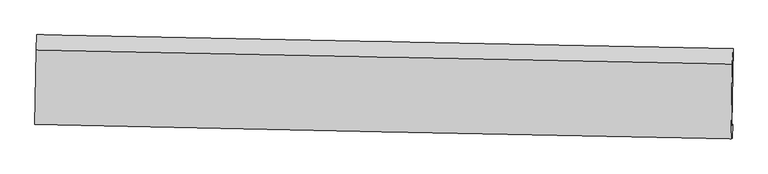
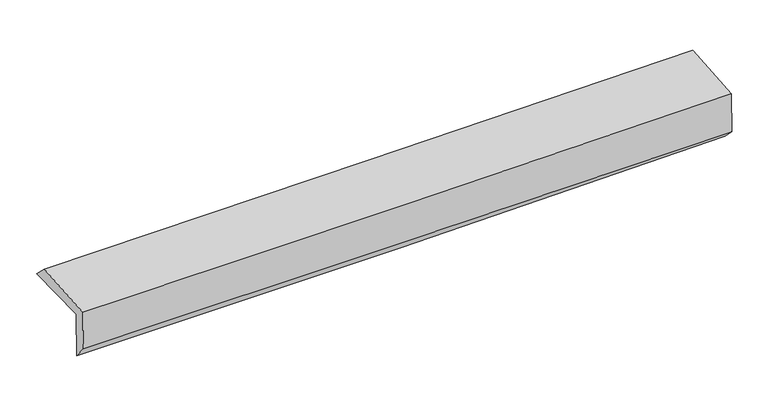
"""IFC4 building model written with IfcOpenShell, lengths in millimetres: proxy geometry."""

from ifc_helpers import new_model, si_unit, frame, origin, place, context, project, spatial, source, transform, mapped, element, save
from ifc_brep_helpers import plane_surface, spline_curve, spline_surface, advanced_brep


def generic_models_c6b965a5(model_context):
    return source(origin(), model_context, "Body", "AdvancedBrep", [
        advanced_brep(
        [(-3027.8253483, -1755.9263714, 1983.5180012), (-3015.8683588, -1088.9385004, 1977.8704542), (3016.4268598, -1206.8658706, 2113.3758273), (3003.650282, -1875.1494876, 2119.0181845), (-3019.092855, -1746.3714233, 1565.1983035), (3012.2262865, -1865.765767, 1708.1948987), (-3024.0886585, -1864.4706185, 1706.8287647), (3007.4284976, -1987.9464268, 1829.6563756), (-3031.6909609, -1868.6711237, 2074.5794226), (2999.5741305, -1992.2891585, 2209.8506371), (-3020.9045028, -1222.8044872, 2107.7969703), (3011.2174896, -1341.6042251, 2243.3326048)],
        [
            (0, 1),
            (1, 2, spline_curve(3, [(-3015.8683588, -1088.9385004, 1977.8704542), (-2010.120972869, -1107.779300916, 1981.230579451), (-1004.581268775, -1127.026467394, 1994.201705481), (1006.183846066, -1166.335509231, 2039.368230964), (2011.409214558, -1186.397465731, 2071.56556211), (3016.4268598, -1206.8658706, 2113.3758273)], [4, 2, 4], [0.0, 9.8991869748909, 19.799369143236515])),
            (2, 3),
            (3, 0, spline_curve(3, [(3003.650282, -1875.1494876, 2119.0181845), (1998.792335607, -1854.242810247, 2077.207287348), (993.715118562, -1833.853738725, 2045.010072488), (-1016.776802603, -1794.112804009, 1999.84527747), (-2022.191461827, -1774.760837096, 1986.875764505), (-3027.8253483, -1755.9263714, 1983.5180012)], [4, 2, 4], [0.0, 9.900182168345614, 19.799369143236515])),
            (4, 0),
            (3, 5),
            (5, 4, spline_curve(3, [(3012.2262865, -1865.765767, 1708.1948987), (2007.272700746, -1844.96373703, 1670.965498085), (1002.16070818, -1824.61271564, 1640.434152674), (-1008.279037644, -1784.814691964, 1592.769967313), (-2013.606758782, -1765.367598415, 1575.635781375), (-3019.092855, -1746.3714233, 1565.1983035)], [4, 2, 4], [0.0, 9.89941932716141, 19.797843537550996])),
            (6, 4),
            (5, 7),
            (7, 6, spline_curve(3, [(3007.4284976, -1987.9464268, 1829.6563756), (2002.209593082, -1968.282274209, 1805.722596669), (996.948445285, -1948.160007083, 1783.519645568), (-1013.557282032, -1907.001312114, 1742.577456346), (-2018.801852772, -1885.964976724, 1723.837870717), (-3024.0886585, -1864.4706185, 1706.8287647)], [4, 2, 4], [0.0, 9.899049469605897, 19.797103859619064])),
            (8, 6),
            (7, 9),
            (9, 8, spline_curve(3, [(2999.5741305, -1992.2891585, 2209.8506371), (1994.380280846, -1972.610588065, 2184.656235708), (989.152667122, -1952.469258991, 2160.785933909), (-1021.269036692, -1911.263154588, 2115.695795098), (-2026.463120126, -1890.198471923, 2094.475692146), (-3031.6909609, -1868.6711237, 2074.5794226)], [4, 2, 4], [0.0, 9.898863673062387, 19.79673228520882])),
            (10, 8),
            (9, 11),
            (11, 10, spline_curve(3, [(3011.2174896, -1341.6042251, 2243.3326048), (2005.8899915, -1321.086130897, 2218.178219791), (1000.524141414, -1300.926625873, 2194.305887652), (-1010.183196827, -1261.326785169, 2149.127600584), (-2015.52467763, -1241.886377393, 2127.821387801), (-3020.9045028, -1222.8044872, 2107.7969703)], [4, 2, 4], [0.0, 9.899506114222758, 19.798017102949615])),
            (1, 10),
            (11, 2),
        ],
        [
            spline_surface(3, 3, [[(-3027.8253483, -1755.9263714, 1983.5180012), (-2022.191461971, -1774.760836958, 1986.875764542), (-1016.776802445, -1794.112804028, 1999.845277448), (993.715118404, -1833.853738707, 2045.010072511), (1998.792335643, -1854.242810365, 2077.207287399), (3003.650282, -1875.1494876, 2119.0181845)], [(-3023.839685122, -1533.597081082, 1981.635485505), (-2018.167965632, -1552.433658241, 1984.99403611), (-1012.711624522, -1571.750691836, 1997.964086817), (997.871360918, -1611.347662178, 2043.129458588), (2002.997961938, -1631.627695524, 2075.326712333), (3007.909141274, -1652.388281923, 2117.137398778)], [(-3019.854021978, -1311.267790718, 1979.752969895), (-2014.144469326, -1330.106479477, 1983.112307763), (-1008.646446589, -1349.388579671, 1996.08289626), (1002.027603443, -1388.841585675, 2041.248844739), (2007.203588212, -1409.012580715, 2073.446137232), (3012.168000526, -1429.627076277, 2115.256613022)], [(-3015.8683588, -1088.9385004, 1977.8704542), (-2010.120972988, -1107.779300761, 1981.230579331), (-1004.581268666, -1127.02646748, 1994.20170563), (1006.183845957, -1166.335509146, 2039.368230816), (2011.409214508, -1186.397465874, 2071.565562166), (3016.4268598, -1206.8658706, 2113.3758273)]], [4, 4], [4, 2, 4], [0.0, 2.189764109614659], [0.0, 9.8991869748909, 19.799369143236515]),
            spline_surface(3, 3, [[(-3019.092855, -1746.3714233, 1565.1983035), (-2013.606758887, -1765.36759844, 1575.635781221), (-1008.279037564, -1784.814691855, 1592.769967396), (1002.1607081, -1824.612715749, 1640.434152592), (2007.272700639, -1844.963736908, 1670.965498133), (3012.2262865, -1865.765767, 1708.1948987)], [(-3022.003686118, -1749.556405998, 1704.638202761), (-2016.468326599, -1768.498677944, 1712.715775689), (-1011.11162586, -1787.914062567, 1728.461737426), (999.345511533, -1827.693056723, 1775.292792577), (2004.445912305, -1848.056761399, 1806.379427893), (3009.367618332, -1868.893673872, 1845.135993972)], [(-3024.914517182, -1752.741388702, 1844.078101939), (-2019.329894258, -1771.629757454, 1849.795770074), (-1013.944214149, -1791.013433316, 1864.153507418), (996.530314972, -1830.773397733, 1910.151432525), (2001.619123977, -1851.149785874, 1941.793357638), (3006.508950168, -1872.021580728, 1982.077089228)], [(-3027.8253483, -1755.9263714, 1983.5180012), (-2022.191461971, -1774.760836958, 1986.875764542), (-1016.776802445, -1794.112804028, 1999.845277448), (993.715118404, -1833.853738707, 2045.010072511), (1998.792335643, -1854.242810365, 2077.207287399), (3003.650282, -1875.1494876, 2119.0181845)]], [4, 4], [4, 2, 4], [0.0, 1.3320857316230428], [0.0, 9.898424210389585, 19.797843537550996]),
            spline_surface(3, 3, [[(-3024.0886585, -1864.4706185, 1706.8287647), (-2018.801852657, -1885.96497659, 1723.837870701), (-1013.557281982, -1907.001312167, 1742.577456454), (996.948445235, -1948.16000703, 1783.51964546), (2002.209593212, -1968.282274221, 1805.722596678), (3007.4284976, -1987.9464268, 1829.6563756)], [(-3022.423390644, -1825.104220105, 1659.61861096), (-2017.070154711, -1845.765850544, 1674.437174201), (-1011.797867177, -1866.272438749, 1692.641626766), (998.685866189, -1906.977576622, 1735.82448117), (2003.897295672, -1927.176095119, 1760.803563834), (3009.027760551, -1947.219540202, 1789.169216637)], [(-3020.758122856, -1785.737821695, 1612.40845724), (-2015.338456833, -1805.566724485, 1625.036477721), (-1010.038452368, -1825.543565273, 1642.705797083), (1000.423287147, -1865.795146157, 1688.129316883), (2005.584998179, -1886.069916011, 1715.884530977), (3010.627023549, -1906.492653598, 1748.682057663)], [(-3019.092855, -1746.3714233, 1565.1983035), (-2013.606758887, -1765.36759844, 1575.635781221), (-1008.279037564, -1784.814691855, 1592.769967396), (1002.1607081, -1824.612715749, 1640.434152592), (2007.272700639, -1844.963736908, 1670.965498133), (3012.2262865, -1865.765767, 1708.1948987)]], [4, 4], [4, 2, 4], [0.0, 0.6274068605529813], [0.0, 9.898054390013167, 19.797103859619064]),
            spline_surface(3, 3, [[(-3031.6909609, -1868.6711237, 2074.5794226), (-2026.463120195, -1890.198471947, 2094.475692252), (-1021.269036754, -1911.263154477, 2115.695795189), (989.152667184, -1952.469259102, 2160.785933817), (1994.380280843, -1972.610588185, 2184.656235742), (2999.5741305, -1992.2891585, 2209.8506371)], [(-3029.156860106, -1867.270955294, 1951.995869945), (-2023.909364355, -1888.787306822, 1970.929751713), (-1018.698451802, -1909.842540377, 1991.323015614), (991.751259895, -1951.032841748, 2035.030504369), (1996.990051635, -1971.167816862, 2058.345022711), (3002.192252869, -1990.841581266, 2083.11921659)], [(-3026.622759294, -1865.870786906, 1829.412317355), (-2021.355608497, -1887.376141715, 1847.383811239), (-1016.127866933, -1908.421926267, 1866.950236028), (994.349852523, -1949.596424384, 1909.275074909), (1999.59982242, -1969.725045544, 1932.033809709), (3004.810375231, -1989.394004034, 1956.38779611)], [(-3024.0886585, -1864.4706185, 1706.8287647), (-2018.801852657, -1885.96497659, 1723.837870701), (-1013.557281982, -1907.001312167, 1742.577456454), (996.948445235, -1948.16000703, 1783.51964546), (2002.209593212, -1968.282274221, 1805.722596678), (3007.4284976, -1987.9464268, 1829.6563756)]], [4, 4], [4, 2, 4], [0.0, 1.2312897078216485], [0.0, 9.897868612146432, 19.79673228520882]),
            spline_surface(3, 3, [[(-3020.9045028, -1222.8044872, 2107.7969703), (-2015.524677659, -1241.886377556, 2127.821387773), (-1010.183196966, -1261.32678525, 2149.127600567), (1000.524141553, -1300.926625792, 2194.305887669), (2005.889991641, -1321.086130736, 2218.178219695), (3011.2174896, -1341.6042251, 2243.3326048)], [(-3024.499988843, -1438.093366024, 2096.724454424), (-2019.170825181, -1457.990409011, 2116.706155957), (-1013.878476913, -1477.972241632, 2137.983665444), (996.73365008, -1518.107503535, 2183.132569721), (2002.053421372, -1538.260949872, 2207.004225047), (3007.336369897, -1558.499202887, 2232.171948903)], [(-3028.095474857, -1653.382244876, 2085.651938476), (-2022.816972674, -1674.094440493, 2105.590924068), (-1017.573756808, -1694.617698095, 2126.839730313), (992.943158657, -1735.288381359, 2171.959251766), (1998.216851112, -1755.435769049, 2195.83023039), (3003.455250203, -1775.394180713, 2221.011292997)], [(-3031.6909609, -1868.6711237, 2074.5794226), (-2026.463120195, -1890.198471947, 2094.475692252), (-1021.269036754, -1911.263154477, 2115.695795189), (989.152667184, -1952.469259102, 2160.785933817), (1994.380280843, -1972.610588185, 2184.656235742), (2999.5741305, -1992.2891585, 2209.8506371)]], [4, 4], [4, 2, 4], [0.0, 2.138112866480757], [0.0, 9.898510988726857, 19.798017102949615]),
            spline_surface(3, 3, [[(-3015.8683588, -1088.9385004, 1977.8704542), (-2010.120972988, -1107.779300761, 1981.230579331), (-1004.581268666, -1127.02646748, 1994.20170563), (1006.183845957, -1166.335509146, 2039.368230816), (2011.409214508, -1186.397465874, 2071.565562166), (3016.4268598, -1206.8658706, 2113.3758273)], [(-3017.547073468, -1133.560495997, 2021.179292905), (-2011.922207879, -1152.481659689, 2030.094182151), (-1006.448578103, -1171.793240096, 2045.843670616), (1004.297277819, -1211.19921472, 2091.014116441), (2009.569473564, -1231.293687512, 2120.436447995), (3014.690403078, -1251.778655451, 2156.694753119)], [(-3019.225788132, -1178.182491603, 2064.488131595), (-2013.723442768, -1197.184018628, 2078.957784954), (-1008.31588753, -1216.560012634, 2097.485635581), (1002.410709692, -1256.062920218, 2142.660002044), (2007.729732585, -1276.189909097, 2169.307333866), (3012.953946322, -1296.691440249, 2200.013678981)], [(-3020.9045028, -1222.8044872, 2107.7969703), (-2015.524677659, -1241.886377556, 2127.821387773), (-1010.183196966, -1261.32678525, 2149.127600567), (1000.524141553, -1300.926625792, 2194.305887669), (2005.889991641, -1321.086130736, 2218.178219695), (3011.2174896, -1341.6042251, 2243.3326048)]], [4, 4], [4, 2, 4], [0.0, 0.673261732050555], [0.0, 9.899404372733393, 19.799803960777126]),
            plane_surface(frame((3008.420591, -1711.6034893, 2037.238088), z_axis=(0.9996118063663997, -0.01893854504520668, 0.020434482730771402), x_axis=(0.020653072283684678, 0.011419220741697964, -0.9997214872167635))),
            plane_surface(frame((-3023.2451141, -1591.1970874, 1902.6319861), z_axis=(-0.9996331048216679, 0.01774701185443025, -0.02046214345642587), x_axis=(-0.017923324850476395, -0.9998035249111049, 0.008465577454259687))),
        ],
        [
            (0, [[1, 2, 3, 4]]),
            (1, [[5, -4, 6, 7]]),
            (2, [[8, -7, 9, 10]]),
            (3, [[11, -10, 12, 13]]),
            (4, [[14, -13, 15, 16]]),
            (5, [[17, -16, 18, -2]]),
            (6, [[-12, -9, -6, -3, -18, -15]]),
            (7, [[-1, -5, -8, -11, -14, -17]]),
        ],
    ),
    ])


if __name__ == "__main__":
    model = new_model("IFC4")
    model_context = context("Model", 3, world=origin())
    ifc_project = project(units=[si_unit("LENGTHUNIT", "METRE", prefix="MILLI")], contexts=[model_context])
    site = spatial("IfcSite", under=ifc_project)
    building = spatial("IfcBuilding", under=site)
    placement = place(None, origin())
    generic_models_shape = generic_models_c6b965a5(model_context)
    element("IfcBuildingElementProxy", 1, Name="Generic Models", at=placement, inside=building, context=model_context, shape_type="MappedRepresentation", body=[
        mapped(generic_models_shape, transform((0.0, 0.0, 0.0), x_axis=(1.0, 0.0, 0.0), y_axis=(0.0, 1.0, 0.0), z_axis=(0.0, 0.0, 1.0))),
    ])
    save(model, "model.ifc")
